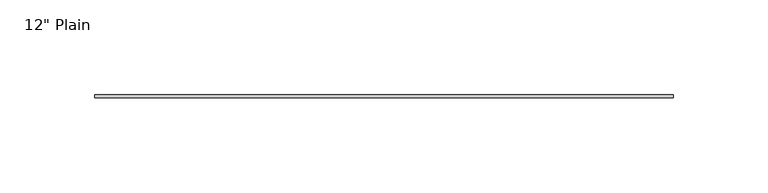
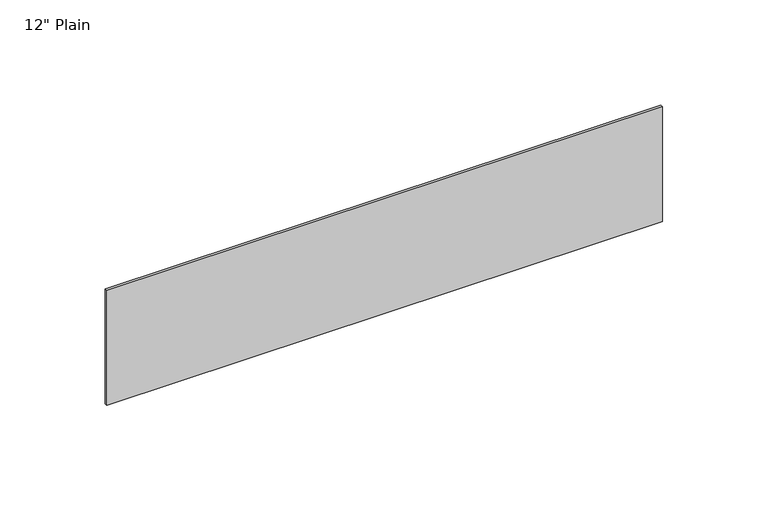
"""IFC4 building model written with IfcOpenShell, lengths in millimetres: furniture geometry."""

import ifcopenshell
import ifcopenshell.guid

model = None  # the IFC model being written
_history = None  # IfcOwnerHistory: only IFC2X3 demands one
_inside = {}  # id of a spatial element -> (the spatial element, [elements in it])
_under = {}  # id of a project, library or spatial element -> (it, [spatial elements below it])
_declared = {}  # id of a project -> (the project, [libraries it declares])
_typed = {}  # id of a type object -> (the type object, [elements of that type])
_made_of = {}  # id of a material, layer set ... -> (it, [elements and type objects made of it])


def new_model(schema):
    """Start an empty IFC model of exactly this schema.

    Asked for "IFC4X3", IfcOpenShell would pick the latest addendum, in which some entities
    have other attributes; the version numbers below select the first issue.
    IFC2X3 requires an IfcOwnerHistory on every rooted entity: one is made here for all.
    """
    global model, _history
    if schema == "IFC4X3":
        model = ifcopenshell.file(schema_version=(4, 3, 0, 0))
    else:
        model = ifcopenshell.file(schema=schema)
    _inside.clear()
    _under.clear()
    _declared.clear()
    _typed.clear()
    _made_of.clear()
    _history = None
    if model.schema == "IFC2X3":
        org = make("IfcOrganization", Name="unknown")
        user = make(
            "IfcPersonAndOrganization",
            ThePerson=make("IfcPerson", FamilyName="unknown"),
            TheOrganization=org,
        )
        app = make(
            "IfcApplication",
            ApplicationDeveloper=org,
            Version="unknown",
            ApplicationFullName="unknown",
            ApplicationIdentifier="unknown",
        )
        _history = make(
            "IfcOwnerHistory",
            OwningUser=user,
            OwningApplication=app,
            ChangeAction="ADDED",
            CreationDate=0,
        )
    return model


def make(cls, **values):
    """One entity of the class cls with the attributes given. An attribute that is None is left unset."""
    return model.create_entity(
        cls, **{name: value for name, value in values.items() if value is not None}
    )


def rooted(cls, **values):
    """An entity with a GlobalId (a new one), such as an element, a storey or a relation."""
    return make(cls, GlobalId=ifcopenshell.guid.new(), OwnerHistory=_history, **values)


def si_unit(unit_type, name, prefix=None):
    """IfcSIUnit, for example si_unit("LENGTHUNIT", "METRE", prefix="MILLI")."""
    return make("IfcSIUnit", UnitType=unit_type, Prefix=prefix, Name=name)


def assignment(units):
    """IfcUnitAssignment: the units of a project."""
    return None if units is None else make("IfcUnitAssignment", Units=units)


def point(xyz):
    """IfcCartesianPoint."""
    return None if xyz is None else make("IfcCartesianPoint", Coordinates=xyz)


def direction(xyz):
    """IfcDirection."""
    return None if xyz is None else make("IfcDirection", DirectionRatios=xyz)


def frame(location, z_axis=None, x_axis=None):
    """IfcAxis2Placement3D, a coordinate frame: its origin and axes. An axis left out is left unset."""
    return make(
        "IfcAxis2Placement3D",
        Location=point(location),
        Axis=direction(z_axis),
        RefDirection=direction(x_axis),
    )


def origin():
    """The frame at (0, 0, 0) with its axes left unset."""
    return frame((0.0, 0.0, 0.0))


def place(relative_to, where):
    """IfcLocalPlacement: puts the frame where relative to a parent placement (None: the world)."""
    return make(
        "IfcLocalPlacement", PlacementRelTo=relative_to, RelativePlacement=where
    )


def context(
    kind, dimensions, precision=None, world=None, true_north=None, identifier=None
):
    """IfcGeometricRepresentationContext, for example the 3D "Model" context."""
    return make(
        "IfcGeometricRepresentationContext",
        ContextIdentifier=identifier,
        ContextType=kind,
        CoordinateSpaceDimension=dimensions,
        Precision=precision,
        WorldCoordinateSystem=world,
        TrueNorth=true_north,
    )


def project(units=None, contexts=None):
    """IfcProject with its units and contexts."""
    return rooted(
        "IfcProject",
        Name="project",
        RepresentationContexts=contexts,
        UnitsInContext=assignment(units),
    )


def spatial(cls, under=None, at=None, **own):
    """A site, building, storey or space (cls), placed at a placement, below another one or the project."""
    s = rooted(cls, ObjectPlacement=at, **own)
    if under is not None:
        _under.setdefault(under.id(), (under, []))[1].append(s)
    return s


def polyline(points):
    """IfcPolyline through the points."""
    return make("IfcPolyline", Points=[point(p) for p in points])


def outline(outer, holes=None, kind="AREA"):
    """IfcArbitraryClosedProfileDef: a profile drawn as a closed curve; with holes, ...WithVoids."""
    if holes is None:
        return make("IfcArbitraryClosedProfileDef", ProfileType=kind, OuterCurve=outer)
    return make(
        "IfcArbitraryProfileDefWithVoids",
        ProfileType=kind,
        OuterCurve=outer,
        InnerCurves=holes,
    )


def extrude(swept, where, along, depth):
    """IfcExtrudedAreaSolid: the profile swept, set in the frame where, extruded along a direction by depth."""
    return make(
        "IfcExtrudedAreaSolid",
        SweptArea=swept,
        Position=where,
        ExtrudedDirection=direction(along),
        Depth=depth,
    )


def shape(context_of_items, identifier, shape_type, items):
    """IfcShapeRepresentation: the items that make up one representation, for example the "Body"."""
    return make(
        "IfcShapeRepresentation",
        ContextOfItems=context_of_items,
        RepresentationIdentifier=identifier,
        RepresentationType=shape_type,
        Items=items,
    )


def source(mapping_origin, context_of_items, identifier, shape_type, items):
    """IfcRepresentationMap: a shape defined once, which mapped items show again and again."""
    return make(
        "IfcRepresentationMap",
        MappingOrigin=mapping_origin,
        MappedRepresentation=shape(context_of_items, identifier, shape_type, items),
    )


def transform(
    local_origin,
    x_axis=None,
    y_axis=None,
    z_axis=None,
    scale=None,
    scale2=None,
    scale3=None,
    uniform=True,
):
    """IfcCartesianTransformationOperator3D, or its non-uniform kind. x_axis, y_axis, z_axis: its Axis1, 2, 3."""
    if uniform:
        return make(
            "IfcCartesianTransformationOperator3D",
            Axis1=direction(x_axis),
            Axis2=direction(y_axis),
            LocalOrigin=point(local_origin),
            Scale=scale,
            Axis3=direction(z_axis),
        )
    return make(
        "IfcCartesianTransformationOperator3DnonUniform",
        Axis1=direction(x_axis),
        Axis2=direction(y_axis),
        LocalOrigin=point(local_origin),
        Scale=scale,
        Axis3=direction(z_axis),
        Scale2=scale2,
        Scale3=scale3,
    )


def mapped(mapping_source, mapping_target):
    """IfcMappedItem: shows the shape of a source again, moved by a transform."""
    return make(
        "IfcMappedItem", MappingSource=mapping_source, MappingTarget=mapping_target
    )


def made_of(thing, what):
    """Note that an element or type object is made of a material, layer set ...; save() writes the relation."""
    if what is not None:
        _made_of.setdefault(what.id(), (what, []))[1].append(thing)
    return thing


def element(
    cls,
    number,
    at=None,
    inside=None,
    cuts=None,
    type_object=None,
    material=None,
    context=None,
    identifier="Body",
    shape_type=None,
    held_by="IfcProductDefinitionShape",
    body=None,
    shapes=None,
    **own,
):
    """One element of the class cls, such as IfcWall. Its Tag is "e" and its number.

    at: its placement. inside: the storey or other place that contains it. cuts: it is an
    opening in that element (IfcRelVoidsElement). A single representation is given by context,
    identifier, shape_type and body (its items); several are given by shapes. held_by: the class
    of the entity that holds the representations. save() writes the other relations.
    """
    e = rooted(cls, Tag="e%d" % number, ObjectPlacement=at, **own)
    if body is not None:
        shapes = [shape(context, identifier, shape_type, body)]
    if shapes is not None:
        e.Representation = make(held_by, Representations=shapes)
    if inside is not None:
        _inside.setdefault(inside.id(), (inside, []))[1].append(e)
    if cuts is not None:
        rooted(
            "IfcRelVoidsElement", RelatingBuildingElement=cuts, RelatedOpeningElement=e
        )
    if type_object is not None:
        _typed.setdefault(type_object.id(), (type_object, []))[1].append(e)
    return made_of(e, material)


def aggregate(whole, parts):
    """IfcRelAggregates: a whole, such as a stair, and the parts it consists of."""
    return rooted("IfcRelAggregates", RelatingObject=whole, RelatedObjects=parts)


def save(model, path):
    """Write the relations noted so far, then the file.

    IfcRelAggregates (storeys below a building ...), IfcRelContainedInSpatialStructure (elements
    in a storey), IfcRelDefinesByType, IfcRelAssociatesMaterial and IfcRelDeclares: one each for
    every whole, place, type object, material and project.
    """
    for whole, parts in _under.values():
        aggregate(whole, parts)
    for where, things in _inside.values():
        rooted(
            "IfcRelContainedInSpatialStructure",
            RelatedElements=things,
            RelatingStructure=where,
        )
    for kind, things in _typed.values():
        rooted("IfcRelDefinesByType", RelatedObjects=things, RelatingType=kind)
    for what, things in _made_of.values():
        rooted("IfcRelAssociatesMaterial", RelatedObjects=things, RelatingMaterial=what)
    for by, libraries in _declared.values():
        rooted("IfcRelDeclares", RelatingContext=by, RelatedDefinitions=libraries)
    model.write(path)


def furniture_37e1ef1d(model_context):
    return source(origin(), model_context, "Body", "SweptSolid", [
        extrude(outline(polyline([(171.1377049, -1.5875), (-133.6622951, -1.5875), (-133.6622951, 0.0), (171.1377049, 0.0), (171.1377049, -1.5875)])), frame((0.0, 0.0, 958.85), z_axis=(0.0, 0.0, 1.0), x_axis=(1.0, 0.0, 0.0)), (0.0, 0.0, 1.0), 66.675),
    ])


if __name__ == "__main__":
    model = new_model("IFC4")
    model_context = context("Model", 3, world=origin())
    ifc_project = project(units=[si_unit("LENGTHUNIT", "METRE", prefix="MILLI")], contexts=[model_context])
    site = spatial("IfcSite", under=ifc_project)
    building = spatial("IfcBuilding", under=site)
    placement = place(None, origin())
    furniture_shape = furniture_37e1ef1d(model_context)
    element("IfcFurniture", 1, ObjectType="12\" Plain", at=placement, inside=building, context=model_context, shape_type="MappedRepresentation", body=[
        mapped(furniture_shape, transform((0.0, 0.0, 0.0), x_axis=(1.0, 0.0, 0.0), y_axis=(0.0, 1.0, 0.0), z_axis=(0.0, 0.0, 1.0))),
    ])
    save(model, "model.ifc")
